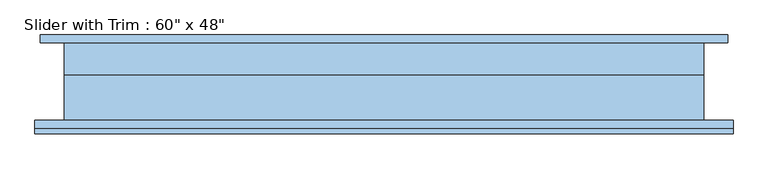
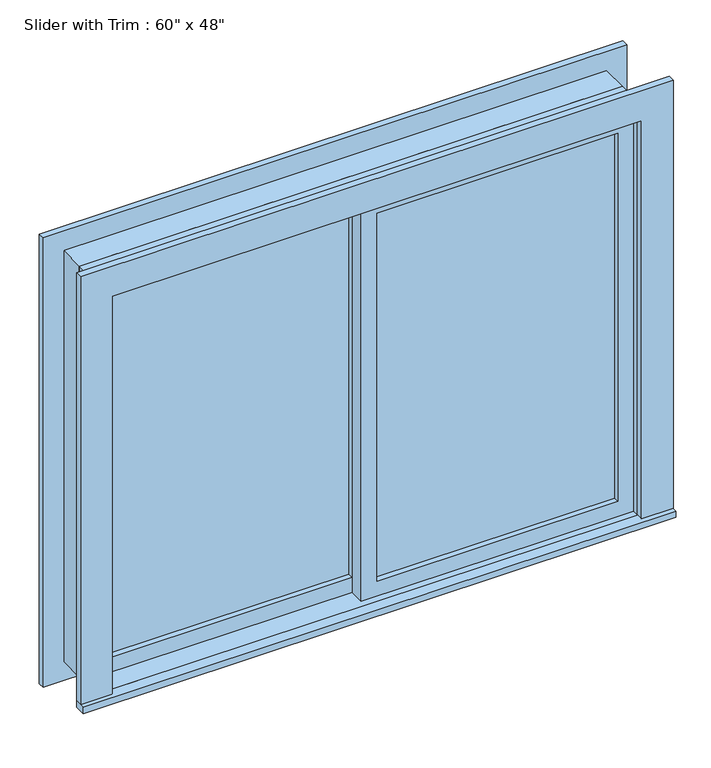
"""IFC4 building model written with IfcOpenShell, lengths in millimetres: window geometry."""

from ifc_helpers import new_model, si_unit, frame, origin, place, context, project, spatial, polyline, outline, extrude, source, transform, mapped, element, save


def window_f38be294(model_context):
    return source(origin(), model_context, "Body", "SweptSolid", [
        extrude(outline(polyline([(-698.5, -12.7), (-698.5, 0.0), (-22.225, 0.0), (-22.225, -12.7), (-698.5, -12.7)])), frame((0.0, 0.0, 977.9), z_axis=(0.0, 0.0, 1.0), x_axis=(1.0, 0.0, 0.0)), (0.0, 0.0, 1.0), 1092.2),
        extrude(outline(polyline([(2114.55, -742.95), (933.45, -742.95), (933.45, 22.225), (2114.55, 22.225), (2114.55, -742.95)]), holes=[polyline([(2070.1, -698.5), (2070.1, -22.225), (977.9, -22.225), (977.9, -698.5), (2070.1, -698.5)])]), frame((0.0, -28.575, 0.0), z_axis=(0.0, 1.0, 0.0), x_axis=(0.0, 0.0, 1.0)), (0.0, 0.0, 1.0), 44.45),
        extrude(outline(polyline([(-831.85, -123.825), (-831.85, -92.075), (831.85, -92.075), (831.85, -123.825), (-831.85, -123.825)])), frame((0.0, 0.0, 914.4), z_axis=(0.0, 0.0, 1.0), x_axis=(1.0, 0.0, 0.0)), (0.0, 0.0, 1.0), 19.05),
        extrude(outline(polyline([(2114.55, -742.95), (2114.55, 742.95), (933.45, 742.95), (933.45, 831.85), (2203.45, 831.85), (2203.45, -831.85), (933.45, -831.85), (933.45, -742.95), (2114.55, -742.95)])), frame((0.0, -111.125, 0.0), z_axis=(0.0, 1.0, 0.0), x_axis=(0.0, 0.0, 1.0)), (0.0, 0.0, 1.0), 19.05),
        extrude(outline(polyline([(2190.75, 819.15), (2190.75, -819.15), (857.25, -819.15), (857.25, 819.15), (2190.75, 819.15)]), holes=[polyline([(2101.85, 730.25), (946.15, 730.25), (946.15, -730.25), (2101.85, -730.25), (2101.85, 730.25)])]), frame((0.0, 92.075, 0.0), z_axis=(0.0, 1.0, 0.0), x_axis=(0.0, 0.0, 1.0)), (0.0, 0.0, 1.0), 19.05),
        extrude(outline(polyline([(698.5, -44.45), (698.5, -57.15), (22.225, -57.15), (22.225, -44.45), (698.5, -44.45)])), frame((0.0, 0.0, 977.9), z_axis=(0.0, 0.0, 1.0), x_axis=(1.0, 0.0, 0.0)), (0.0, 0.0, 1.0), 1092.2),
        extrude(outline(polyline([(2114.55, -22.225), (933.45, -22.225), (933.45, 742.95), (2114.55, 742.95), (2114.55, -22.225)]), holes=[polyline([(2070.1, 22.225), (2070.1, 698.5), (977.9, 698.5), (977.9, 22.225), (2070.1, 22.225)])]), frame((0.0, -73.025, 0.0), z_axis=(0.0, 1.0, 0.0), x_axis=(0.0, 0.0, 1.0)), (0.0, 0.0, 1.0), 44.45),
        extrude(outline(polyline([(2133.6, -762.0), (914.4, -762.0), (914.4, 762.0), (2133.6, 762.0), (2133.6, -762.0)]), holes=[polyline([(2101.85, -730.25), (2101.85, 730.25), (946.15, 730.25), (946.15, -730.25), (2101.85, -730.25)])]), frame((0.0, 15.875, 0.0), z_axis=(0.0, 1.0, 0.0), x_axis=(0.0, 0.0, 1.0)), (0.0, 0.0, 1.0), 76.2),
        extrude(outline(polyline([(2133.6, 762.0), (2133.6, -762.0), (914.4, -762.0), (914.4, 762.0), (2133.6, 762.0)]), holes=[polyline([(2114.55, 742.95), (933.45, 742.95), (933.45, -742.95), (2114.55, -742.95), (2114.55, 742.95)])]), frame((0.0, -92.075, 0.0), z_axis=(0.0, 1.0, 0.0), x_axis=(0.0, 0.0, 1.0)), (0.0, 0.0, 1.0), 107.95),
    ])


if __name__ == "__main__":
    model = new_model("IFC4")
    model_context = context("Model", 3, world=origin())
    ifc_project = project(units=[si_unit("LENGTHUNIT", "METRE", prefix="MILLI")], contexts=[model_context])
    site = spatial("IfcSite", under=ifc_project)
    building = spatial("IfcBuilding", under=site)
    placement = place(None, origin())
    window_shape = window_f38be294(model_context)
    element("IfcWindow", 1, ObjectType="Slider with Trim : 60\" x 48\"", at=placement, inside=building, context=model_context, shape_type="MappedRepresentation", body=[
        mapped(window_shape, transform((0.0, 0.0, 0.0), x_axis=(1.0, 0.0, 0.0), y_axis=(0.0, 1.0, 0.0), z_axis=(0.0, 0.0, 1.0))),
    ])
    save(model, "model.ifc")
